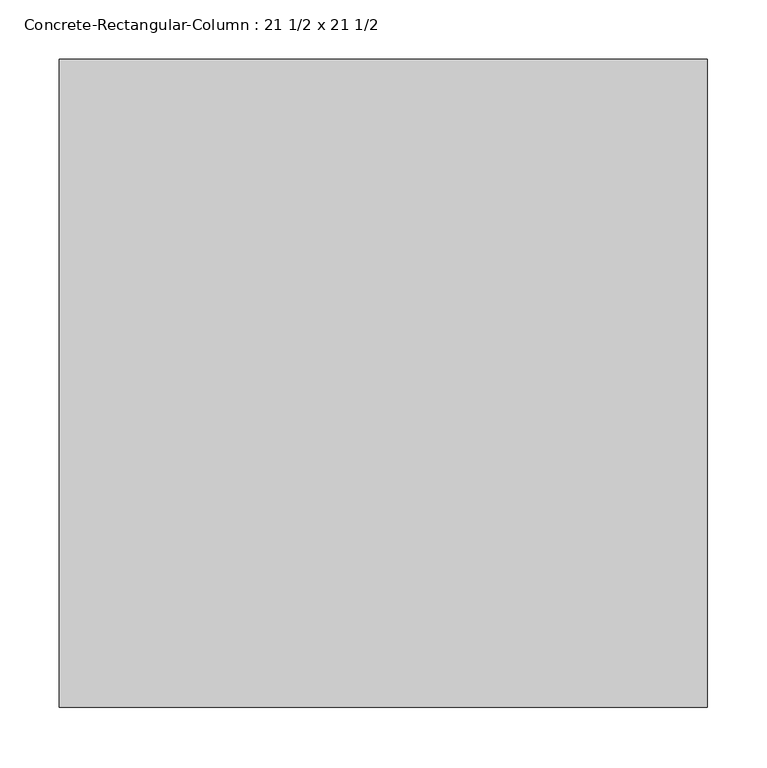
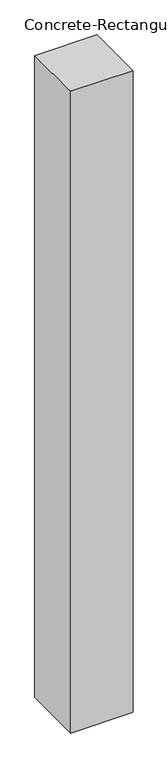
"""IFC4 building model written with IfcOpenShell, lengths in millimetres: column geometry, Concrete-Rectangular-Column : 21 1/2 x 21 1/2."""

from ifc_helpers import new_model, si_unit, frame, origin, place, context, project, spatial, polyline, outline, extrude, source, transform, mapped, element, save


def concrete_rectangular_column_21_1_2_x_21_1_2_884472ea(model_context):
    return source(origin(), model_context, "Body", "SweptSolid", [
        extrude(outline(polyline([(273.05, 273.05), (273.05, -273.05), (-273.05, -273.05), (-273.05, 273.05), (273.05, 273.05)])), frame((0.0, 0.0, 3810.0), z_axis=(0.0, 0.0, 1.0), x_axis=(1.0, 0.0, 0.0)), (0.0, 0.0, 1.0), 5943.6),
    ])


if __name__ == "__main__":
    model = new_model("IFC4")
    model_context = context("Model", 3, world=origin())
    ifc_project = project(units=[si_unit("LENGTHUNIT", "METRE", prefix="MILLI")], contexts=[model_context])
    site = spatial("IfcSite", under=ifc_project)
    building = spatial("IfcBuilding", under=site)
    placement = place(None, origin())
    concrete_rectangular_column_21_1_2_x_21_1_2_shape = concrete_rectangular_column_21_1_2_x_21_1_2_884472ea(model_context)
    element("IfcColumn", 1, ObjectType="Concrete-Rectangular-Column : 21 1/2 x 21 1/2", at=placement, inside=building, context=model_context, shape_type="MappedRepresentation", body=[
        mapped(concrete_rectangular_column_21_1_2_x_21_1_2_shape, transform((0.0, 0.0, 0.0), x_axis=(1.0, 0.0, 0.0), y_axis=(0.0, 1.0, 0.0), z_axis=(0.0, 0.0, 1.0))),
    ])
    save(model, "model.ifc")
